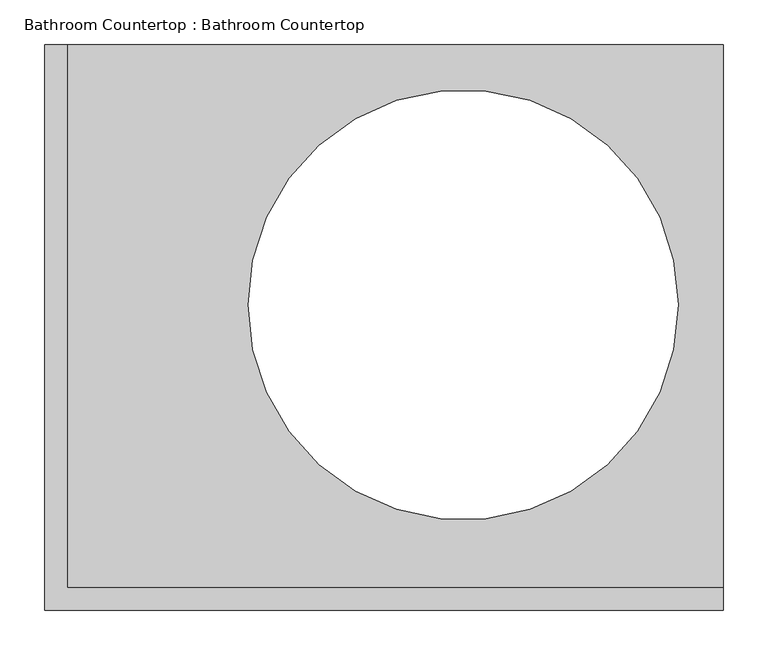
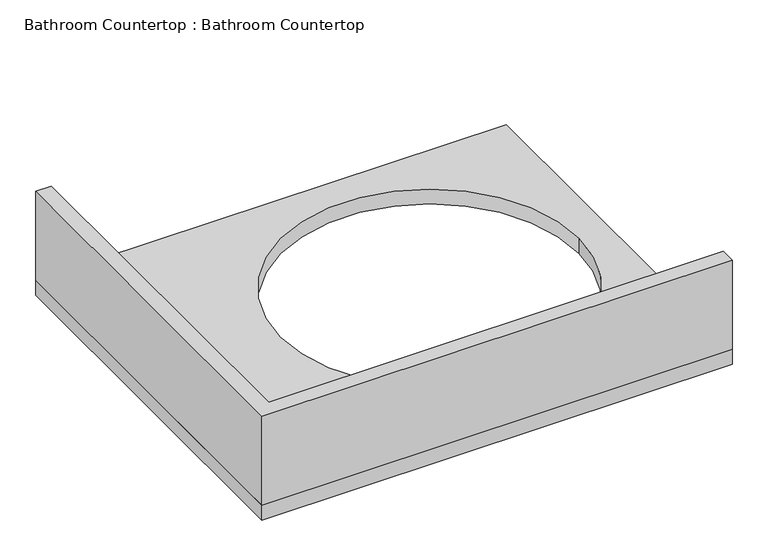
"""IFC4 building model written with IfcOpenShell, lengths in millimetres: proxy geometry, Bathroom Countertop : Bathroom Countertop."""

from ifc_helpers import new_model, si_unit, point, frame, frame_2d, origin, place, context, project, spatial, polyline, circle_curve, trimmed, segment, composite_curve, outline, extrude, source, transform, mapped, element, save


def bathroom_countertop_bathroom_countertop_a8b67054(model_context):
    return source(origin(), model_context, "Body", "SweptSolid", [
        extrude(outline(polyline([(-381.0, 53.975), (-381.0, 688.975), (-355.6, 688.975), (-355.6, 79.375), (381.0, 79.375), (381.0, 53.975), (-381.0, 53.975)])), frame((0.0, 0.0, 914.4), z_axis=(0.0, 0.0, 1.0), x_axis=(1.0, 0.0, 0.0)), (0.0, 0.0, 1.0), 152.4),
        extrude(outline(polyline([(-381.0, 688.975), (381.0, 688.975), (381.0, 53.975), (-381.0, 53.975), (-381.0, 688.975)]), holes=[composite_curve([segment(trimmed(circle_curve(frame_2d((88.9, 396.875)), 241.3), [point((-152.4, 396.875))], [point((330.2, 396.875))], True, "CARTESIAN"), True, "CONTINUOUS"), segment(trimmed(circle_curve(frame_2d((88.9, 396.875)), 241.3), [point((330.2, 396.875))], [point((-152.4, 396.875))], True, "CARTESIAN"), True, "CONTINUOUS")], self_intersect=False)]), frame((0.0, 0.0, 889.0), z_axis=(0.0, 0.0, 1.0), x_axis=(1.0, 0.0, 0.0)), (0.0, 0.0, 1.0), 25.4),
    ])


if __name__ == "__main__":
    model = new_model("IFC4")
    model_context = context("Model", 3, world=origin())
    ifc_project = project(units=[si_unit("LENGTHUNIT", "METRE", prefix="MILLI")], contexts=[model_context])
    site = spatial("IfcSite", under=ifc_project)
    building = spatial("IfcBuilding", under=site)
    placement = place(None, origin())
    bathroom_countertop_bathroom_countertop_shape = bathroom_countertop_bathroom_countertop_a8b67054(model_context)
    element("IfcBuildingElementProxy", 1, Name="Bathroom Countertop : Bathroom Countertop", ObjectType="Bathroom Countertop : Bathroom Countertop", at=placement, inside=building, context=model_context, shape_type="MappedRepresentation", body=[
        mapped(bathroom_countertop_bathroom_countertop_shape, transform((0.0, 0.0, 0.0), x_axis=(1.0, 0.0, 0.0), y_axis=(0.0, 1.0, 0.0), z_axis=(0.0, 0.0, 1.0))),
    ])
    save(model, "model.ifc")
